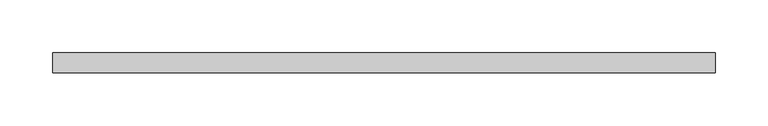
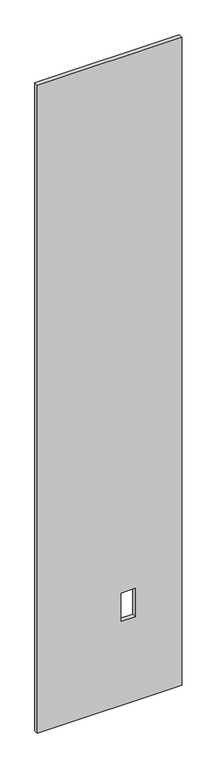
"""IFC4 building model written with IfcOpenShell, lengths in millimetres: proxy geometry."""

from ifc_helpers import new_model, si_unit, frame, origin, place, context, project, spatial, polyline, outline, extrude, source, transform, mapped, element, save


def specialty_equipment_79b2dd4f(model_context):
    return source(origin(), model_context, "Body", "SweptSolid", [
        extrude(outline(polyline([(2999.5368001, 315.6204), (2999.5368001, -315.6204), (3.175, -315.6204), (3.175, 315.6204), (2999.5368001, 315.6204)]), holes=[polyline([(522.478, 112.8268), (391.922, 112.8268), (391.922, 51.3588), (522.478, 51.3588), (522.478, 112.8268)])]), frame((0.0, -9.525, 0.0), z_axis=(0.0, 1.0, 0.0), x_axis=(0.0, 0.0, 1.0)), (0.0, 0.0, 1.0), 19.05),
    ])


if __name__ == "__main__":
    model = new_model("IFC4")
    model_context = context("Model", 3, world=origin())
    ifc_project = project(units=[si_unit("LENGTHUNIT", "METRE", prefix="MILLI")], contexts=[model_context])
    site = spatial("IfcSite", under=ifc_project)
    building = spatial("IfcBuilding", under=site)
    placement = place(None, origin())
    specialty_equipment_shape = specialty_equipment_79b2dd4f(model_context)
    element("IfcBuildingElementProxy", 1, Name="Specialty Equipment", at=placement, inside=building, context=model_context, shape_type="MappedRepresentation", body=[
        mapped(specialty_equipment_shape, transform((0.0, 0.0, 0.0), x_axis=(1.0, 0.0, 0.0), y_axis=(0.0, 1.0, 0.0), z_axis=(0.0, 0.0, 1.0))),
    ])
    save(model, "model.ifc")
